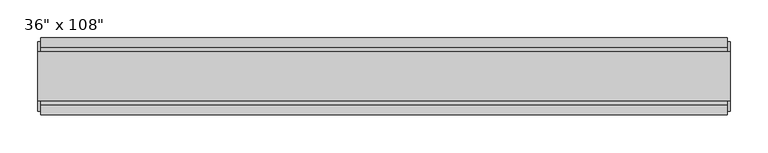
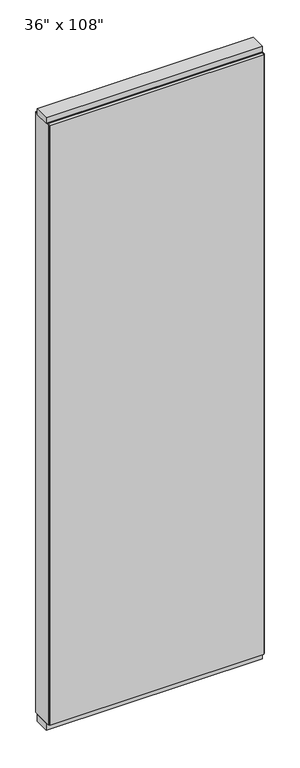
"""IFC4 building model written with IfcOpenShell, lengths in millimetres: furniture geometry."""

from ifc_helpers import new_model, si_unit, frame, origin, origin_with_axes, place, context, project, spatial, polyline, outline, extrude, source, transform, mapped, element, save


def furniture_50c4cc93(model_context):
    return source(origin(), model_context, "Body", "SweptSolid", [
        extrude(outline(polyline([(393.2264771, 46.2822784), (393.2264771, 33.5822784), (-513.2995229, 33.5822784), (-513.2995229, 46.2822784), (393.2264771, 46.2822784)])), frame((0.0, 0.0, 31.75), z_axis=(0.0, 0.0, 1.0), x_axis=(1.0, 0.0, 0.0)), (0.0, 0.0, 1.0), 2686.05),
        extrude(outline(polyline([(393.2264771, -55.3177216), (-513.2995229, -55.3177216), (-513.2995229, -42.6177216), (393.2264771, -42.6177216), (393.2264771, -55.3177216)])), frame((0.0, 0.0, 31.75), z_axis=(0.0, 0.0, 1.0), x_axis=(1.0, 0.0, 0.0)), (0.0, 0.0, 1.0), 2686.05),
        extrude(outline(polyline([(-42.6177216, 2681.478), (-42.6177216, 2717.8), (33.5822784, 2717.8), (33.5822784, 2681.478), (28.6292784, 2681.478), (28.6292784, 2676.525), (-37.6647216, 2676.525), (-37.6647216, 2681.478), (-42.6177216, 2681.478)])), frame((-513.2995229, 0.0, 0.0), z_axis=(1.0, 0.0, 0.0), x_axis=(0.0, 1.0, 0.0)), (0.0, 0.0, 1.0), 906.526),
        extrude(outline(polyline([(397.1634771, 27.9942784), (397.1634771, -37.0297216), (-517.2365229, -37.0297216), (-517.2365229, 27.9942784), (397.1634771, 27.9942784)])), origin_with_axes(), (0.0, 0.0, 1.0), 31.75),
        extrude(outline(polyline([(-517.2365229, -37.0297216), (-517.2365229, 27.9942784), (397.1634771, 27.9942784), (397.1634771, -37.0297216), (-517.2365229, -37.0297216)])), frame((0.0, 0.0, 2717.8), z_axis=(0.0, 0.0, 1.0), x_axis=(1.0, 0.0, 0.0)), (0.0, 0.0, 1.0), 25.4),
        extrude(outline(polyline([(397.1634771, -50.3647216), (393.2264771, -50.3647216), (393.2264771, 41.3292784), (397.1634771, 41.3292784), (397.1634771, -50.3647216)])), frame((0.0, 0.0, 31.75), z_axis=(0.0, 0.0, 1.0), x_axis=(1.0, 0.0, 0.0)), (0.0, 0.0, 1.0), 2686.05),
        extrude(outline(polyline([(-517.2365229, -50.3647216), (-517.2365229, 41.3292784), (-513.2995229, 41.3292784), (-513.2995229, -50.3647216), (-517.2365229, -50.3647216)])), frame((0.0, 0.0, 31.75), z_axis=(0.0, 0.0, 1.0), x_axis=(1.0, 0.0, 0.0)), (0.0, 0.0, 1.0), 2686.05),
    ])


if __name__ == "__main__":
    model = new_model("IFC4")
    model_context = context("Model", 3, world=origin())
    ifc_project = project(units=[si_unit("LENGTHUNIT", "METRE", prefix="MILLI")], contexts=[model_context])
    site = spatial("IfcSite", under=ifc_project)
    building = spatial("IfcBuilding", under=site)
    placement = place(None, origin())
    furniture_shape = furniture_50c4cc93(model_context)
    element("IfcFurniture", 1, ObjectType="36\" x 108\"", at=placement, inside=building, context=model_context, shape_type="MappedRepresentation", body=[
        mapped(furniture_shape, transform((0.0, 0.0, 0.0), x_axis=(1.0, 0.0, 0.0), y_axis=(0.0, 1.0, 0.0), z_axis=(0.0, 0.0, 1.0))),
    ])
    save(model, "model.ifc")
